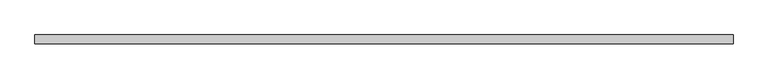
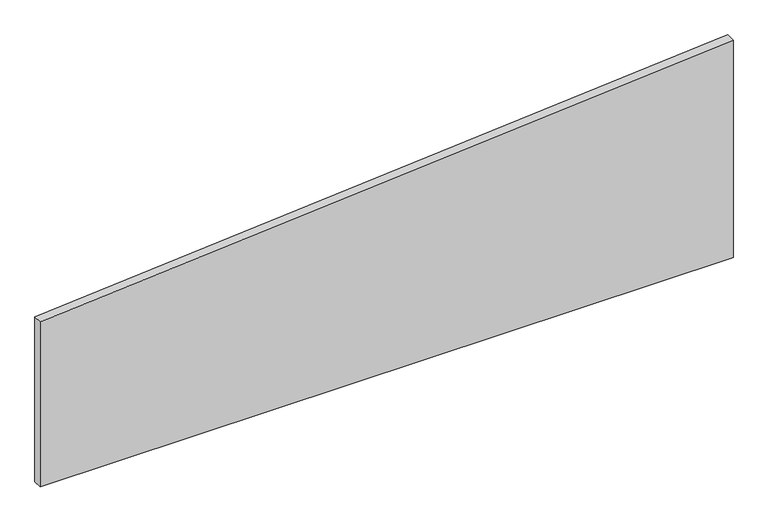
"""IFC4 building model written with IfcOpenShell, lengths in millimetres: plate geometry."""

from ifc_helpers import new_model, si_unit, frame, origin, place, context, project, spatial, polyline, outline, extrude, source, transform, mapped, element, save


def plate_524c4017(model_context):
    return source(origin(), model_context, "Body", "SweptSolid", [
        extrude(outline(polyline([(0.0, -975.0), (0.0, 975.0), (647.5085562, 975.0), (490.822883, -975.0), (0.0, -975.0)])), frame((0.0, 24.5, 0.0), z_axis=(0.0, 1.0, 0.0), x_axis=(0.0, 0.0, 1.0)), (0.0, 0.0, 1.0), 25.0),
    ])


if __name__ == "__main__":
    model = new_model("IFC4")
    model_context = context("Model", 3, world=origin())
    ifc_project = project(units=[si_unit("LENGTHUNIT", "METRE", prefix="MILLI")], contexts=[model_context])
    site = spatial("IfcSite", under=ifc_project)
    building = spatial("IfcBuilding", under=site)
    placement = place(None, origin())
    plate_shape = plate_524c4017(model_context)
    element("IfcPlate", 1, at=placement, inside=building, context=model_context, shape_type="MappedRepresentation", body=[
        mapped(plate_shape, transform((0.0, 0.0, 0.0), x_axis=(1.0, 0.0, 0.0), y_axis=(0.0, 1.0, 0.0), z_axis=(0.0, 0.0, 1.0))),
    ])
    save(model, "model.ifc")
